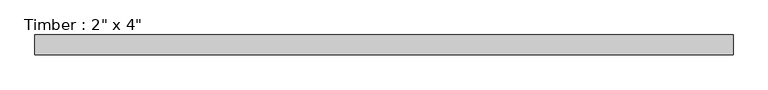
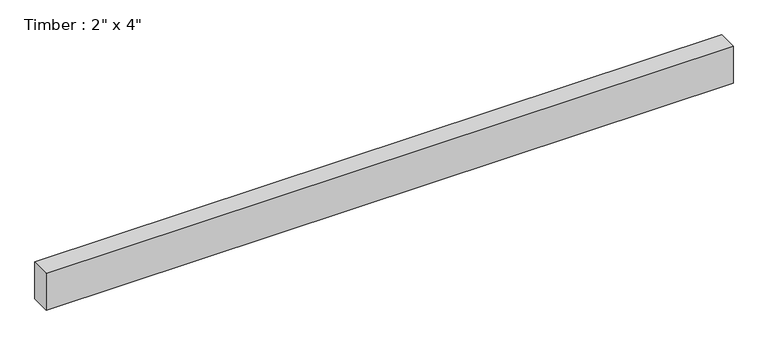
"""IFC4 building model written with IfcOpenShell, lengths in millimetres: beam geometry."""

from ifc_helpers import new_model, si_unit, frame, origin, place, context, project, spatial, polyline, outline, extrude, source, transform, mapped, element, save


def beam_b5791fd9(model_context):
    return source(origin(), model_context, "Body", "SweptSolid", [
        extrude(outline(polyline([(892.6708274, 25.4), (892.6708274, -25.4), (-892.6708274, -25.4), (-892.6708274, 25.4), (892.6708274, 25.4)])), frame((0.0, 0.0, -50.8), z_axis=(0.0, 0.0, 1.0), x_axis=(1.0, 0.0, 0.0)), (0.0, 0.0, 1.0), 101.6),
    ])


if __name__ == "__main__":
    model = new_model("IFC4")
    model_context = context("Model", 3, world=origin())
    ifc_project = project(units=[si_unit("LENGTHUNIT", "METRE", prefix="MILLI")], contexts=[model_context])
    site = spatial("IfcSite", under=ifc_project)
    building = spatial("IfcBuilding", under=site)
    placement = place(None, origin())
    beam_shape = beam_b5791fd9(model_context)
    element("IfcBeam", 1, ObjectType="Timber : 2\" x 4\"", at=placement, inside=building, context=model_context, shape_type="MappedRepresentation", body=[
        mapped(beam_shape, transform((0.0, 0.0, 0.0), x_axis=(1.0, 0.0, 0.0), y_axis=(0.0, 1.0, 0.0), z_axis=(0.0, 0.0, 1.0))),
    ])
    save(model, "model.ifc")
